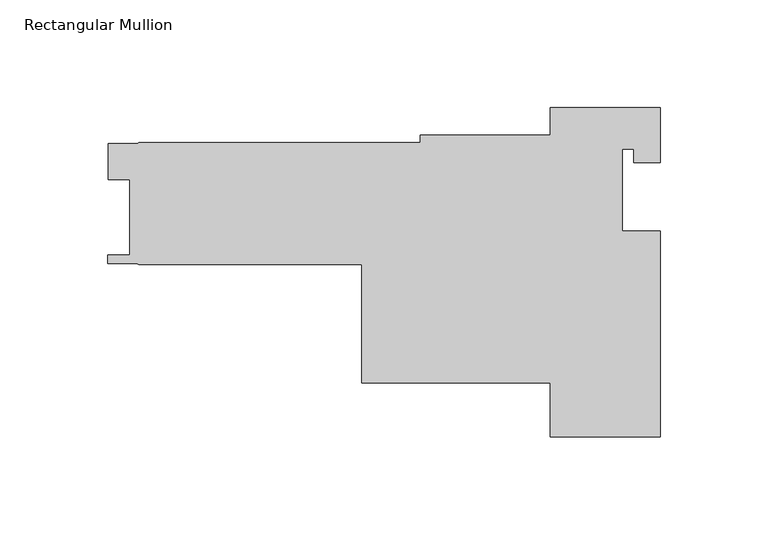
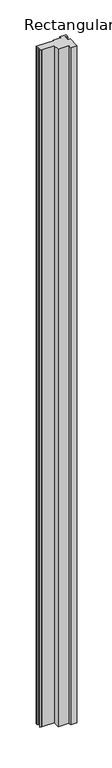
"""IFC4 building model written with IfcOpenShell, lengths in millimetres: member geometry, Rectangular Mullion."""

from ifc_helpers import new_model, si_unit, frame, origin, place, context, project, spatial, polyline, outline, extrude, source, transform, mapped, element, save


def rectangular_mullion_3401aeda(model_context):
    return source(origin(), model_context, "Body", "SweptSolid", [
        extrude(outline(polyline([(-204.7747998, -45.9993997), (-204.7747998, -29.3369999), (-191.2918934, -29.3369999), (-190.5, -28.8798), (-60.325, -28.8798), (-60.325, -25.4), (0.0, -25.4), (0.0, -12.7), (50.8, -12.7), (50.8, -38.1), (38.608, -38.1), (38.608, -31.75), (33.3502, -31.75), (33.3502, -69.8500019), (50.8, -69.8500019), (50.8, -165.1), (0.0, -165.1), (0.0, -140.0556), (-87.2998, -140.0556), (-87.2998, -85.3694), (-190.5, -85.3694), (-191.6034731, -84.8500899), (-204.7875, -84.90585), (-204.7875, -80.9371), (-194.7418, -80.9371), (-194.7418, -45.9993997), (-204.7747998, -45.9993997)])), frame((0.0, 0.0, -5876.1312602), z_axis=(0.0, 0.0, 1.0), x_axis=(1.0, 0.0, 0.0)), (0.0, 0.0, 1.0), 5876.1312602),
    ])


if __name__ == "__main__":
    model = new_model("IFC4")
    model_context = context("Model", 3, world=origin())
    ifc_project = project(units=[si_unit("LENGTHUNIT", "METRE", prefix="MILLI")], contexts=[model_context])
    site = spatial("IfcSite", under=ifc_project)
    building = spatial("IfcBuilding", under=site)
    placement = place(None, origin())
    rectangular_mullion_shape = rectangular_mullion_3401aeda(model_context)
    element("IfcMember", 1, ObjectType="Rectangular Mullion", at=placement, inside=building, context=model_context, shape_type="MappedRepresentation", body=[
        mapped(rectangular_mullion_shape, transform((0.0, 0.0, 0.0), x_axis=(1.0, 0.0, 0.0), y_axis=(0.0, 1.0, 0.0), z_axis=(0.0, 0.0, 1.0))),
    ])
    save(model, "model.ifc")
